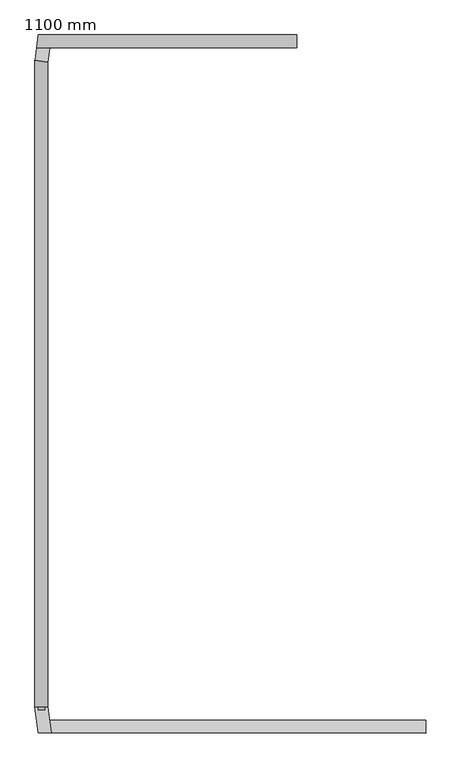
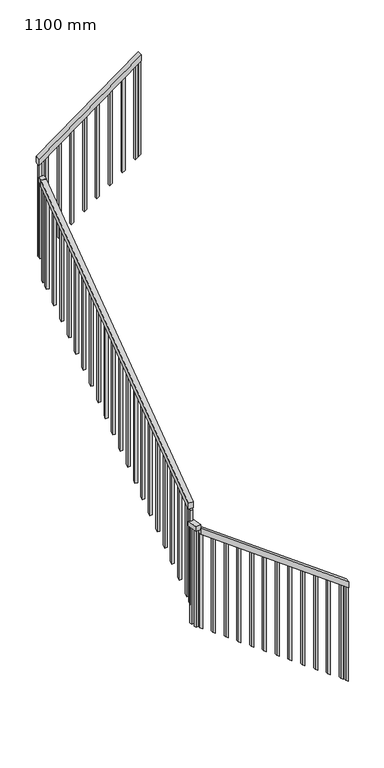
"""IFC4 building model written with IfcOpenShell, lengths in millimetres: railing geometry, 1100 mm."""

import ifcopenshell
import ifcopenshell.guid

model = None  # the IFC model being written
_history = None  # IfcOwnerHistory: only IFC2X3 demands one
_inside = {}  # id of a spatial element -> (the spatial element, [elements in it])
_under = {}  # id of a project, library or spatial element -> (it, [spatial elements below it])
_declared = {}  # id of a project -> (the project, [libraries it declares])
_typed = {}  # id of a type object -> (the type object, [elements of that type])
_made_of = {}  # id of a material, layer set ... -> (it, [elements and type objects made of it])


def new_model(schema):
    """Start an empty IFC model of exactly this schema.

    Asked for "IFC4X3", IfcOpenShell would pick the latest addendum, in which some entities
    have other attributes; the version numbers below select the first issue.
    IFC2X3 requires an IfcOwnerHistory on every rooted entity: one is made here for all.
    """
    global model, _history
    if schema == "IFC4X3":
        model = ifcopenshell.file(schema_version=(4, 3, 0, 0))
    else:
        model = ifcopenshell.file(schema=schema)
    _inside.clear()
    _under.clear()
    _declared.clear()
    _typed.clear()
    _made_of.clear()
    _history = None
    if model.schema == "IFC2X3":
        org = make("IfcOrganization", Name="unknown")
        user = make(
            "IfcPersonAndOrganization",
            ThePerson=make("IfcPerson", FamilyName="unknown"),
            TheOrganization=org,
        )
        app = make(
            "IfcApplication",
            ApplicationDeveloper=org,
            Version="unknown",
            ApplicationFullName="unknown",
            ApplicationIdentifier="unknown",
        )
        _history = make(
            "IfcOwnerHistory",
            OwningUser=user,
            OwningApplication=app,
            ChangeAction="ADDED",
            CreationDate=0,
        )
    return model


def make(cls, **values):
    """One entity of the class cls with the attributes given. An attribute that is None is left unset."""
    return model.create_entity(
        cls, **{name: value for name, value in values.items() if value is not None}
    )


def rooted(cls, **values):
    """An entity with a GlobalId (a new one), such as an element, a storey or a relation."""
    return make(cls, GlobalId=ifcopenshell.guid.new(), OwnerHistory=_history, **values)


def si_unit(unit_type, name, prefix=None):
    """IfcSIUnit, for example si_unit("LENGTHUNIT", "METRE", prefix="MILLI")."""
    return make("IfcSIUnit", UnitType=unit_type, Prefix=prefix, Name=name)


def assignment(units):
    """IfcUnitAssignment: the units of a project."""
    return None if units is None else make("IfcUnitAssignment", Units=units)


def point(xyz):
    """IfcCartesianPoint."""
    return None if xyz is None else make("IfcCartesianPoint", Coordinates=xyz)


def direction(xyz):
    """IfcDirection."""
    return None if xyz is None else make("IfcDirection", DirectionRatios=xyz)


def frame(location, z_axis=None, x_axis=None):
    """IfcAxis2Placement3D, a coordinate frame: its origin and axes. An axis left out is left unset."""
    return make(
        "IfcAxis2Placement3D",
        Location=point(location),
        Axis=direction(z_axis),
        RefDirection=direction(x_axis),
    )


def origin():
    """The frame at (0, 0, 0) with its axes left unset."""
    return frame((0.0, 0.0, 0.0))


def place(relative_to, where):
    """IfcLocalPlacement: puts the frame where relative to a parent placement (None: the world)."""
    return make(
        "IfcLocalPlacement", PlacementRelTo=relative_to, RelativePlacement=where
    )


def context(
    kind, dimensions, precision=None, world=None, true_north=None, identifier=None
):
    """IfcGeometricRepresentationContext, for example the 3D "Model" context."""
    return make(
        "IfcGeometricRepresentationContext",
        ContextIdentifier=identifier,
        ContextType=kind,
        CoordinateSpaceDimension=dimensions,
        Precision=precision,
        WorldCoordinateSystem=world,
        TrueNorth=true_north,
    )


def project(units=None, contexts=None):
    """IfcProject with its units and contexts."""
    return rooted(
        "IfcProject",
        Name="project",
        RepresentationContexts=contexts,
        UnitsInContext=assignment(units),
    )


def spatial(cls, under=None, at=None, **own):
    """A site, building, storey or space (cls), placed at a placement, below another one or the project."""
    s = rooted(cls, ObjectPlacement=at, **own)
    if under is not None:
        _under.setdefault(under.id(), (under, []))[1].append(s)
    return s


def polyline(points):
    """IfcPolyline through the points."""
    return make("IfcPolyline", Points=[point(p) for p in points])


def outline(outer, holes=None, kind="AREA"):
    """IfcArbitraryClosedProfileDef: a profile drawn as a closed curve; with holes, ...WithVoids."""
    if holes is None:
        return make("IfcArbitraryClosedProfileDef", ProfileType=kind, OuterCurve=outer)
    return make(
        "IfcArbitraryProfileDefWithVoids",
        ProfileType=kind,
        OuterCurve=outer,
        InnerCurves=holes,
    )


def extrude(swept, where, along, depth):
    """IfcExtrudedAreaSolid: the profile swept, set in the frame where, extruded along a direction by depth."""
    return make(
        "IfcExtrudedAreaSolid",
        SweptArea=swept,
        Position=where,
        ExtrudedDirection=direction(along),
        Depth=depth,
    )


def faces_of(points, faces, orient=None, outer=None):
    """IfcFace entities. A face is a list of loops; a loop is a list of indices into points, from 0.

    orient and outer hold one flag for each loop. By default every Orientation is true, the
    first loop of a face is its IfcFaceOuterBound and the others are IfcFaceBound.
    """
    made = []
    for i, loops in enumerate(faces):
        bounds = []
        for j, loop in enumerate(loops):
            is_outer = j == 0 if outer is None else outer[i][j]
            bounds.append(
                make(
                    "IfcFaceOuterBound" if is_outer else "IfcFaceBound",
                    Bound=make("IfcPolyLoop", Polygon=[points[k] for k in loop]),
                    Orientation=True if orient is None else orient[i][j],
                )
            )
        made.append(make("IfcFace", Bounds=bounds))
    return made


def faceted_brep(points, faces, orient=None, outer=None, voids=None):
    """IfcFacetedBrep: a solid bounded by flat faces; with voids (closed shells), ...WithVoids."""
    shared = [point(p) for p in points]
    hull = make("IfcClosedShell", CfsFaces=faces_of(shared, faces, orient, outer))
    if voids is None:
        return make("IfcFacetedBrep", Outer=hull)
    return make(
        "IfcFacetedBrepWithVoids",
        Outer=hull,
        Voids=[
            make(cls, CfsFaces=faces_of(shared, fs, o, b)) for cls, fs, o, b in voids
        ],
    )


def shape(context_of_items, identifier, shape_type, items):
    """IfcShapeRepresentation: the items that make up one representation, for example the "Body"."""
    return make(
        "IfcShapeRepresentation",
        ContextOfItems=context_of_items,
        RepresentationIdentifier=identifier,
        RepresentationType=shape_type,
        Items=items,
    )


def source(mapping_origin, context_of_items, identifier, shape_type, items):
    """IfcRepresentationMap: a shape defined once, which mapped items show again and again."""
    return make(
        "IfcRepresentationMap",
        MappingOrigin=mapping_origin,
        MappedRepresentation=shape(context_of_items, identifier, shape_type, items),
    )


def transform(
    local_origin,
    x_axis=None,
    y_axis=None,
    z_axis=None,
    scale=None,
    scale2=None,
    scale3=None,
    uniform=True,
):
    """IfcCartesianTransformationOperator3D, or its non-uniform kind. x_axis, y_axis, z_axis: its Axis1, 2, 3."""
    if uniform:
        return make(
            "IfcCartesianTransformationOperator3D",
            Axis1=direction(x_axis),
            Axis2=direction(y_axis),
            LocalOrigin=point(local_origin),
            Scale=scale,
            Axis3=direction(z_axis),
        )
    return make(
        "IfcCartesianTransformationOperator3DnonUniform",
        Axis1=direction(x_axis),
        Axis2=direction(y_axis),
        LocalOrigin=point(local_origin),
        Scale=scale,
        Axis3=direction(z_axis),
        Scale2=scale2,
        Scale3=scale3,
    )


def mapped(mapping_source, mapping_target):
    """IfcMappedItem: shows the shape of a source again, moved by a transform."""
    return make(
        "IfcMappedItem", MappingSource=mapping_source, MappingTarget=mapping_target
    )


def made_of(thing, what):
    """Note that an element or type object is made of a material, layer set ...; save() writes the relation."""
    if what is not None:
        _made_of.setdefault(what.id(), (what, []))[1].append(thing)
    return thing


def element(
    cls,
    number,
    at=None,
    inside=None,
    cuts=None,
    type_object=None,
    material=None,
    context=None,
    identifier="Body",
    shape_type=None,
    held_by="IfcProductDefinitionShape",
    body=None,
    shapes=None,
    **own,
):
    """One element of the class cls, such as IfcWall. Its Tag is "e" and its number.

    at: its placement. inside: the storey or other place that contains it. cuts: it is an
    opening in that element (IfcRelVoidsElement). A single representation is given by context,
    identifier, shape_type and body (its items); several are given by shapes. held_by: the class
    of the entity that holds the representations. save() writes the other relations.
    """
    e = rooted(cls, Tag="e%d" % number, ObjectPlacement=at, **own)
    if body is not None:
        shapes = [shape(context, identifier, shape_type, body)]
    if shapes is not None:
        e.Representation = make(held_by, Representations=shapes)
    if inside is not None:
        _inside.setdefault(inside.id(), (inside, []))[1].append(e)
    if cuts is not None:
        rooted(
            "IfcRelVoidsElement", RelatingBuildingElement=cuts, RelatedOpeningElement=e
        )
    if type_object is not None:
        _typed.setdefault(type_object.id(), (type_object, []))[1].append(e)
    return made_of(e, material)


def aggregate(whole, parts):
    """IfcRelAggregates: a whole, such as a stair, and the parts it consists of."""
    return rooted("IfcRelAggregates", RelatingObject=whole, RelatedObjects=parts)


def save(model, path):
    """Write the relations noted so far, then the file.

    IfcRelAggregates (storeys below a building ...), IfcRelContainedInSpatialStructure (elements
    in a storey), IfcRelDefinesByType, IfcRelAssociatesMaterial and IfcRelDeclares: one each for
    every whole, place, type object, material and project.
    """
    for whole, parts in _under.values():
        aggregate(whole, parts)
    for where, things in _inside.values():
        rooted(
            "IfcRelContainedInSpatialStructure",
            RelatedElements=things,
            RelatingStructure=where,
        )
    for kind, things in _typed.values():
        rooted("IfcRelDefinesByType", RelatedObjects=things, RelatingType=kind)
    for what, things in _made_of.values():
        rooted("IfcRelAssociatesMaterial", RelatedObjects=things, RelatingMaterial=what)
    for by, libraries in _declared.values():
        rooted("IfcRelDeclares", RelatingContext=by, RelatedDefinitions=libraries)
    model.write(path)


def railing_1100_mm_ea23b112(model_context):
    return source(origin(), model_context, "Body", "SolidModel", [
        faceted_brep([(809.5275333, -197.5476232, 1282.6086957), (809.5275333, -247.5476232, 1282.6086957), (809.5275333, -247.5476232, 1220.6907061), (809.5275333, -197.5476232, 1220.6907061), (-646.3333557, -197.5476232, 2346.0201277), (-646.3333557, -197.5476232, 2284.1021381), (-640.0833557, -247.5476232, 2279.5369207), (-640.0833557, -247.5476232, 2341.4549103)], [[[0, 1, 2, 3]], [[4, 5, 6, 7]], [[1, 0, 4, 7]], [[2, 1, 7, 6]], [[3, 2, 6, 5]], [[0, 3, 5, 4]]]),
        faceted_brep([(-640.0833557, -247.5476232, 2378.2608696), (-690.4724667, -247.5476232, 2378.2608696), (-690.4724667, -247.5476232, 2328.2608696), (-640.0833557, -247.5476232, 2328.2608696), (-652.7779112, -145.9911795, 2378.2608696), (-652.7779112, -145.9911795, 2328.2608696), (-703.1670221, -145.9911795, 2328.2608696), (-703.1670221, -145.9911795, 2378.2608696)], [[[0, 1, 2, 3]], [[4, 5, 6, 7]], [[1, 0, 4, 7]], [[2, 1, 7, 6]], [[3, 2, 6, 5]], [[0, 3, 5, 4]]]),
        faceted_brep([(-652.9724667, -145.9911795, 2562.0064458), (-702.9724667, -145.9911795, 2562.0064458), (-702.9724667, -145.9911795, 2500.0884563), (-652.9724667, -145.9911795, 2500.0884563), (-652.9724667, 2347.7709331, 4383.5370324), (-652.9724667, 2347.7709331, 4321.6190429), (-702.9724667, 2354.0209331, 4326.1842603), (-702.9724667, 2354.0209331, 4388.1022498)], [[[0, 1, 2, 3]], [[4, 5, 6, 7]], [[1, 0, 4, 7]], [[2, 1, 7, 6]], [[3, 2, 6, 5]], [[0, 3, 5, 4]]]),
        faceted_brep([(-653.1655197, 2347.7950647, 4386.9565217), (-702.7794136, 2353.9968015, 4386.9565217), (-702.7794136, 2353.9968015, 4336.9565217), (-653.1655197, 2347.7950647, 4336.9565217), (-646.3333557, 2402.4523768, 4386.9565217), (-646.3333557, 2402.4523768, 4336.9565217), (-696.7224667, 2402.4523768, 4336.9565217), (-696.7224667, 2402.4523768, 4386.9565217)], [[[0, 1, 2, 3]], [[4, 5, 6, 7]], [[1, 0, 4, 7]], [[2, 1, 7, 6]], [[3, 2, 6, 5]], [[0, 3, 5, 4]]]),
        faceted_brep([(-696.7224667, 2402.4523768, 4565.0), (-690.4724667, 2452.4523768, 4569.5652174), (-690.4724667, 2452.4523768, 4507.6472278), (-696.7224667, 2402.4523768, 4503.0820105), (309.5275333, 2402.4523768, 5300.0), (309.5275333, 2402.4523768, 5238.0820105), (309.5275333, 2452.4523768, 5238.0820105), (309.5275333, 2452.4523768, 5300.0)], [[[0, 1, 2, 3]], [[4, 5, 6, 7]], [[1, 0, 4, 7]], [[2, 1, 7, 6]], [[3, 2, 6, 5]], [[0, 3, 5, 4]]]),
        extrude(outline(polyline([(5199.4197727, 256.5970888), (4226.71186, 256.5970888), (4244.9727295, 281.5970888), (5217.6806423, 281.5970888), (5199.4197727, 256.5970888)])), frame((0.0, 2414.9523768, 0.0), z_axis=(0.0, 1.0, 0.0), x_axis=(0.0, 0.0, 1.0)), (0.0, 0.0, 1.0), 25.0),
        extrude(outline(polyline([(5108.1154249, 131.5970888), (4135.4075121, 131.5970888), (4153.6683817, 156.5970888), (5126.3762944, 156.5970888), (5108.1154249, 131.5970888)])), frame((0.0, 2414.9523768, 0.0), z_axis=(0.0, 1.0, 0.0), x_axis=(0.0, 0.0, 1.0)), (0.0, 0.0, 1.0), 25.0),
        extrude(outline(polyline([(5016.8110771, 6.5970888), (4044.1031643, 6.5970888), (4062.3640339, 31.5970888), (5035.0719466, 31.5970888), (5016.8110771, 6.5970888)])), frame((0.0, 2414.9523768, 0.0), z_axis=(0.0, 1.0, 0.0), x_axis=(0.0, 0.0, 1.0)), (0.0, 0.0, 1.0), 25.0),
        extrude(outline(polyline([(4925.5067292, -118.4029112), (3952.7988165, -118.4029112), (3971.059686, -93.4029112), (4943.7675988, -93.4029112), (4925.5067292, -118.4029112)])), frame((0.0, 2414.9523768, 0.0), z_axis=(0.0, 1.0, 0.0), x_axis=(0.0, 0.0, 1.0)), (0.0, 0.0, 1.0), 25.0),
        extrude(outline(polyline([(4834.2023814, -243.4029112), (3861.4944686, -243.4029112), (3879.7553382, -218.4029112), (4852.463251, -218.4029112), (4834.2023814, -243.4029112)])), frame((0.0, 2414.9523768, 0.0), z_axis=(0.0, 1.0, 0.0), x_axis=(0.0, 0.0, 1.0)), (0.0, 0.0, 1.0), 25.0),
        extrude(outline(polyline([(4742.8980336, -368.4029112), (3770.1901208, -368.4029112), (3788.4509904, -343.4029112), (4761.1589031, -343.4029112), (4742.8980336, -368.4029112)])), frame((0.0, 2414.9523768, 0.0), z_axis=(0.0, 1.0, 0.0), x_axis=(0.0, 0.0, 1.0)), (0.0, 0.0, 1.0), 25.0),
        extrude(outline(polyline([(4651.5936858, -493.4029112), (3678.885773, -493.4029112), (3697.1466426, -468.4029112), (4669.8545553, -468.4029112), (4651.5936858, -493.4029112)])), frame((0.0, 2414.9523768, 0.0), z_axis=(0.0, 1.0, 0.0), x_axis=(0.0, 0.0, 1.0)), (0.0, 0.0, 1.0), 25.0),
        extrude(outline(polyline([(4560.2893379, -618.4029112), (3587.5814252, -618.4029112), (3605.8422947, -593.4029112), (4578.5502075, -593.4029112), (4560.2893379, -618.4029112)])), frame((0.0, 2414.9523768, 0.0), z_axis=(0.0, 1.0, 0.0), x_axis=(0.0, 0.0, 1.0)), (0.0, 0.0, 1.0), 25.0),
        extrude(outline(polyline([(100.0, 0.0), (896.3547513, 0.0), (878.0938818, -25.0000001), (100.0, -25.0000001), (100.0, 0.0)])), frame((-659.3672565, 2398.9593927, 4436.9565217), z_axis=(-0.992277876713675, 0.12403473458915129, 0.0), x_axis=(0.0, 0.0, -1.0)), (0.0, 0.0, 1.0), 25.0),
        extrude(outline(polyline([(2279.0088205, 3298.6848914), (2279.0088205, 4271.3928041), (2304.0088205, 4289.6536737), (2304.0088205, 3316.9457609), (2279.0088205, 3298.6848914)])), frame((-690.4724667, 0.0, 0.0), z_axis=(1.0, 0.0, 0.0), x_axis=(0.0, 1.0, 0.0)), (0.0, 0.0, 1.0), 25.0),
        extrude(outline(polyline([(2154.0088205, 3207.3805435), (2154.0088205, 4180.0884563), (2179.0088205, 4198.3493259), (2179.0088205, 3225.6414131), (2154.0088205, 3207.3805435)])), frame((-690.4724667, 0.0, 0.0), z_axis=(1.0, 0.0, 0.0), x_axis=(0.0, 1.0, 0.0)), (0.0, 0.0, 1.0), 25.0),
        extrude(outline(polyline([(2029.0088205, 3116.0761957), (2029.0088205, 4088.7841085), (2054.0088205, 4107.044978), (2054.0088205, 3134.3370653), (2029.0088205, 3116.0761957)])), frame((-690.4724667, 0.0, 0.0), z_axis=(1.0, 0.0, 0.0), x_axis=(0.0, 1.0, 0.0)), (0.0, 0.0, 1.0), 25.0),
        extrude(outline(polyline([(1904.0088205, 3024.7718479), (1904.0088205, 3997.4797606), (1929.0088205, 4015.7406302), (1929.0088205, 3043.0327175), (1904.0088205, 3024.7718479)])), frame((-690.4724667, 0.0, 0.0), z_axis=(1.0, 0.0, 0.0), x_axis=(0.0, 1.0, 0.0)), (0.0, 0.0, 1.0), 25.0),
        extrude(outline(polyline([(1779.0088205, 2933.4675001), (1779.0088205, 3906.1754128), (1804.0088205, 3924.4362824), (1804.0088205, 2951.7283696), (1779.0088205, 2933.4675001)])), frame((-690.4724667, 0.0, 0.0), z_axis=(1.0, 0.0, 0.0), x_axis=(0.0, 1.0, 0.0)), (0.0, 0.0, 1.0), 25.0),
        extrude(outline(polyline([(1654.0088205, 2842.1631522), (1654.0088205, 3814.871065), (1679.0088205, 3833.1319346), (1679.0088205, 2860.4240218), (1654.0088205, 2842.1631522)])), frame((-690.4724667, 0.0, 0.0), z_axis=(1.0, 0.0, 0.0), x_axis=(0.0, 1.0, 0.0)), (0.0, 0.0, 1.0), 25.0),
        extrude(outline(polyline([(1529.0088205, 2750.8588044), (1529.0088205, 3723.5667172), (1554.0088205, 3741.8275867), (1554.0088205, 2769.119674), (1529.0088205, 2750.8588044)])), frame((-690.4724667, 0.0, 0.0), z_axis=(1.0, 0.0, 0.0), x_axis=(0.0, 1.0, 0.0)), (0.0, 0.0, 1.0), 25.0),
        extrude(outline(polyline([(1404.0088205, 2659.5544566), (1404.0088205, 3632.2623693), (1429.0088205, 3650.5232389), (1429.0088205, 2677.8153261), (1404.0088205, 2659.5544566)])), frame((-690.4724667, 0.0, 0.0), z_axis=(1.0, 0.0, 0.0), x_axis=(0.0, 1.0, 0.0)), (0.0, 0.0, 1.0), 25.0),
        extrude(outline(polyline([(1279.0088205, 2568.2501088), (1279.0088205, 3540.9580215), (1304.0088205, 3559.2188911), (1304.0088205, 2586.5109783), (1279.0088205, 2568.2501088)])), frame((-690.4724667, 0.0, 0.0), z_axis=(1.0, 0.0, 0.0), x_axis=(0.0, 1.0, 0.0)), (0.0, 0.0, 1.0), 25.0),
        extrude(outline(polyline([(1154.0088205, 2476.9457609), (1154.0088205, 3449.6536737), (1179.0088205, 3467.9145433), (1179.0088205, 2495.2066305), (1154.0088205, 2476.9457609)])), frame((-690.4724667, 0.0, 0.0), z_axis=(1.0, 0.0, 0.0), x_axis=(0.0, 1.0, 0.0)), (0.0, 0.0, 1.0), 25.0),
        extrude(outline(polyline([(1029.0088205, 2385.6414131), (1029.0088205, 3358.3493259), (1054.0088205, 3376.6101954), (1054.0088205, 2403.9022827), (1029.0088205, 2385.6414131)])), frame((-690.4724667, 0.0, 0.0), z_axis=(1.0, 0.0, 0.0), x_axis=(0.0, 1.0, 0.0)), (0.0, 0.0, 1.0), 25.0),
        extrude(outline(polyline([(904.0088205, 2294.3370653), (904.0088205, 3267.044978), (929.0088205, 3285.3058476), (929.0088205, 2312.5979348), (904.0088205, 2294.3370653)])), frame((-690.4724667, 0.0, 0.0), z_axis=(1.0, 0.0, 0.0), x_axis=(0.0, 1.0, 0.0)), (0.0, 0.0, 1.0), 25.0),
        extrude(outline(polyline([(779.0088205, 2203.0327175), (779.0088205, 3175.7406302), (804.0088205, 3194.0014998), (804.0088205, 2221.293587), (779.0088205, 2203.0327175)])), frame((-690.4724667, 0.0, 0.0), z_axis=(1.0, 0.0, 0.0), x_axis=(0.0, 1.0, 0.0)), (0.0, 0.0, 1.0), 25.0),
        extrude(outline(polyline([(654.0088205, 2111.7283696), (654.0088205, 3084.4362824), (679.0088205, 3102.6971519), (679.0088205, 2129.9892392), (654.0088205, 2111.7283696)])), frame((-690.4724667, 0.0, 0.0), z_axis=(1.0, 0.0, 0.0), x_axis=(0.0, 1.0, 0.0)), (0.0, 0.0, 1.0), 25.0),
        extrude(outline(polyline([(529.0088205, 2020.4240218), (529.0088205, 2993.1319346), (554.0088205, 3011.3928041), (554.0088205, 2038.6848914), (529.0088205, 2020.4240218)])), frame((-690.4724667, 0.0, 0.0), z_axis=(1.0, 0.0, 0.0), x_axis=(0.0, 1.0, 0.0)), (0.0, 0.0, 1.0), 25.0),
        extrude(outline(polyline([(404.0088205, 1929.119674), (404.0088205, 2901.8275867), (429.0088205, 2920.0884563), (429.0088205, 1947.3805435), (404.0088205, 1929.119674)])), frame((-690.4724667, 0.0, 0.0), z_axis=(1.0, 0.0, 0.0), x_axis=(0.0, 1.0, 0.0)), (0.0, 0.0, 1.0), 25.0),
        extrude(outline(polyline([(279.0088205, 1837.8153261), (279.0088205, 2810.5232389), (304.0088205, 2828.7841085), (304.0088205, 1856.0761957), (279.0088205, 1837.8153261)])), frame((-690.4724667, 0.0, 0.0), z_axis=(1.0, 0.0, 0.0), x_axis=(0.0, 1.0, 0.0)), (0.0, 0.0, 1.0), 25.0),
        extrude(outline(polyline([(154.0088205, 1746.5109783), (154.0088205, 2719.2188911), (179.0088205, 2737.4797606), (179.0088205, 1764.7718479), (154.0088205, 1746.5109783)])), frame((-690.4724667, 0.0, 0.0), z_axis=(1.0, 0.0, 0.0), x_axis=(0.0, 1.0, 0.0)), (0.0, 0.0, 1.0), 25.0),
        extrude(outline(polyline([(29.0088205, 1655.2066305), (29.0088205, 2627.9145433), (54.0088205, 2646.1754128), (54.0088205, 1673.4675001), (29.0088205, 1655.2066305)])), frame((-690.4724667, 0.0, 0.0), z_axis=(1.0, 0.0, 0.0), x_axis=(0.0, 1.0, 0.0)), (0.0, 0.0, 1.0), 25.0),
        extrude(outline(polyline([(-95.9911795, 1563.9022827), (-95.9911795, 2536.6101954), (-70.9911795, 2554.871065), (-70.9911795, 1582.1631522), (-95.9911795, 1563.9022827)])), frame((-690.4724667, 0.0, 0.0), z_axis=(1.0, 0.0, 0.0), x_axis=(0.0, 1.0, 0.0)), (0.0, 0.0, 1.0), 25.0),
        extrude(outline(polyline([(-662.2011745, -171.3832952), (-687.0081214, -174.4841635), (-690.1089897, -149.6772166), (-665.3020428, -146.5763483), (-662.2011745, -171.3832952)])), frame((0.0, 0.0, 1324.9900527), z_axis=(0.0, 0.0, 1.0), x_axis=(1.0, 0.0, 0.0)), (0.0, 0.0, 1.0), 1003.2708169),
        extrude(outline(polyline([(1288.8523586, -615.4724667), (2261.5602713, -615.4724667), (2279.8211409, -640.4724667), (1307.1132281, -640.4724667), (1288.8523586, -615.4724667)])), frame((0.0, -235.0476232, 0.0), z_axis=(0.0, 1.0, 0.0), x_axis=(0.0, 0.0, 1.0)), (0.0, 0.0, 1.0), 25.0),
        extrude(outline(polyline([(1197.5480107, -490.4724667), (2170.2559235, -490.4724667), (2188.5167931, -515.4724667), (1215.8088803, -515.4724667), (1197.5480107, -490.4724667)])), frame((0.0, -235.0476232, 0.0), z_axis=(0.0, 1.0, 0.0), x_axis=(0.0, 0.0, 1.0)), (0.0, 0.0, 1.0), 25.0),
        extrude(outline(polyline([(1106.2436629, -365.4724667), (2078.9515757, -365.4724667), (2097.2124452, -390.4724667), (1124.5045325, -390.4724667), (1106.2436629, -365.4724667)])), frame((0.0, -235.0476232, 0.0), z_axis=(0.0, 1.0, 0.0), x_axis=(0.0, 0.0, 1.0)), (0.0, 0.0, 1.0), 25.0),
        extrude(outline(polyline([(1014.9393151, -240.4724667), (1987.6472278, -240.4724667), (2005.9080974, -265.4724667), (1033.2001847, -265.4724667), (1014.9393151, -240.4724667)])), frame((0.0, -235.0476232, 0.0), z_axis=(0.0, 1.0, 0.0), x_axis=(0.0, 0.0, 1.0)), (0.0, 0.0, 1.0), 25.0),
        extrude(outline(polyline([(923.6349673, -115.4724667), (1896.34288, -115.4724667), (1914.6037496, -140.4724667), (941.8958368, -140.4724667), (923.6349673, -115.4724667)])), frame((0.0, -235.0476232, 0.0), z_axis=(0.0, 1.0, 0.0), x_axis=(0.0, 0.0, 1.0)), (0.0, 0.0, 1.0), 25.0),
        extrude(outline(polyline([(832.3306194, 9.5275333), (1805.0385322, 9.5275333), (1823.2994018, -15.4724667), (850.591489, -15.4724667), (832.3306194, 9.5275333)])), frame((0.0, -235.0476232, 0.0), z_axis=(0.0, 1.0, 0.0), x_axis=(0.0, 0.0, 1.0)), (0.0, 0.0, 1.0), 25.0),
        extrude(outline(polyline([(741.0262716, 134.5275333), (1713.7341844, 134.5275333), (1731.9950539, 109.5275333), (759.2871412, 109.5275333), (741.0262716, 134.5275333)])), frame((0.0, -235.0476232, 0.0), z_axis=(0.0, 1.0, 0.0), x_axis=(0.0, 0.0, 1.0)), (0.0, 0.0, 1.0), 25.0),
        extrude(outline(polyline([(649.7219238, 259.5275333), (1622.4298365, 259.5275333), (1640.6907061, 234.5275333), (667.9827934, 234.5275333), (649.7219238, 259.5275333)])), frame((0.0, -235.0476232, 0.0), z_axis=(0.0, 1.0, 0.0), x_axis=(0.0, 0.0, 1.0)), (0.0, 0.0, 1.0), 25.0),
        extrude(outline(polyline([(558.417576, 384.5275333), (1531.1254887, 384.5275333), (1549.3863583, 359.5275333), (576.6784455, 359.5275333), (558.417576, 384.5275333)])), frame((0.0, -235.0476232, 0.0), z_axis=(0.0, 1.0, 0.0), x_axis=(0.0, 0.0, 1.0)), (0.0, 0.0, 1.0), 25.0),
        extrude(outline(polyline([(467.1132281, 509.5275333), (1439.8211409, 509.5275333), (1458.0820105, 484.5275333), (485.3740977, 484.5275333), (467.1132281, 509.5275333)])), frame((0.0, -235.0476232, 0.0), z_axis=(0.0, 1.0, 0.0), x_axis=(0.0, 0.0, 1.0)), (0.0, 0.0, 1.0), 25.0),
        extrude(outline(polyline([(375.8088803, 634.5275333), (1348.5167931, 634.5275333), (1366.7776626, 609.5275333), (394.0697499, 609.5275333), (375.8088803, 634.5275333)])), frame((0.0, -235.0476232, 0.0), z_axis=(0.0, 1.0, 0.0), x_axis=(0.0, 0.0, 1.0)), (0.0, 0.0, 1.0), 25.0),
        extrude(outline(polyline([(284.5045325, 759.5275333), (1257.2124452, 759.5275333), (1275.4733148, 734.5275333), (302.765402, 734.5275333), (284.5045325, 759.5275333)])), frame((0.0, -235.0476232, 0.0), z_axis=(0.0, 1.0, 0.0), x_axis=(0.0, 0.0, 1.0)), (0.0, 0.0, 1.0), 25.0),
        extrude(outline(polyline([(4514.637164, -680.9029112), (3541.9292513, -680.9029112), (3560.1901208, -655.9029112), (4532.8980336, -655.9029112), (4514.637164, -680.9029112)])), frame((0.0, 2414.9523768, 0.0), z_axis=(0.0, 1.0, 0.0), x_axis=(0.0, 0.0, 1.0)), (0.0, 0.0, 1.0), 25.0),
        extrude(outline(polyline([(-667.1194274, 2336.9420255), (-691.9263743, 2340.0428938), (-688.8255059, 2364.8498407), (-664.018559, 2361.7489724), (-667.1194274, 2336.9420255)])), frame((0.0, 0.0, 3333.6857049), z_axis=(0.0, 0.0, 1.0), x_axis=(1.0, 0.0, 0.0)), (0.0, 0.0, 1.0), 1003.2708169),
        extrude(outline(polyline([(-158.4911795, 1518.2501088), (-158.4911795, 2490.9580215), (-133.4911795, 2509.2188911), (-133.4911795, 1536.5109783), (-158.4911795, 1518.2501088)])), frame((-690.4724667, 0.0, 0.0), z_axis=(1.0, 0.0, 0.0), x_axis=(0.0, 1.0, 0.0)), (0.0, 0.0, 1.0), 25.0),
        extrude(outline(polyline([(-654.4490035, -233.4006625), (-679.2559505, -236.5015308), (-682.3568188, -211.6945839), (-657.5498719, -208.5937156), (-654.4490035, -233.4006625)])), frame((0.0, 0.0, 1324.9900527), z_axis=(0.0, 0.0, 1.0), x_axis=(1.0, 0.0, 0.0)), (0.0, 0.0, 1.0), 1003.2708169),
        extrude(outline(polyline([(5219.8211409, 284.5275333), (4247.1132281, 284.5275333), (4265.3740977, 309.5275333), (5238.0820105, 309.5275333), (5219.8211409, 284.5275333)])), frame((0.0, 2414.9523768, 0.0), z_axis=(0.0, 1.0, 0.0), x_axis=(0.0, 0.0, 1.0)), (0.0, 0.0, 1.0), 25.0),
        extrude(outline(polyline([(247.9827934, 809.5275333), (1220.6907061, 809.5275333), (1238.9515757, 784.5275333), (266.2436629, 784.5275333), (247.9827934, 809.5275333)])), frame((0.0, -235.0476232, 0.0), z_axis=(0.0, 1.0, 0.0), x_axis=(0.0, 0.0, 1.0)), (0.0, 0.0, 1.0), 25.0),
    ])


if __name__ == "__main__":
    model = new_model("IFC4")
    model_context = context("Model", 3, world=origin())
    ifc_project = project(units=[si_unit("LENGTHUNIT", "METRE", prefix="MILLI")], contexts=[model_context])
    site = spatial("IfcSite", under=ifc_project)
    building = spatial("IfcBuilding", under=site)
    placement = place(None, origin())
    railing_1100_mm_shape = railing_1100_mm_ea23b112(model_context)
    element("IfcRailing", 1, ObjectType="1100 mm", at=placement, inside=building, context=model_context, shape_type="MappedRepresentation", body=[
        mapped(railing_1100_mm_shape, transform((0.0, 0.0, 0.0), x_axis=(1.0, 0.0, 0.0), y_axis=(0.0, 1.0, 0.0), z_axis=(0.0, 0.0, 1.0))),
    ])
    save(model, "model.ifc")
